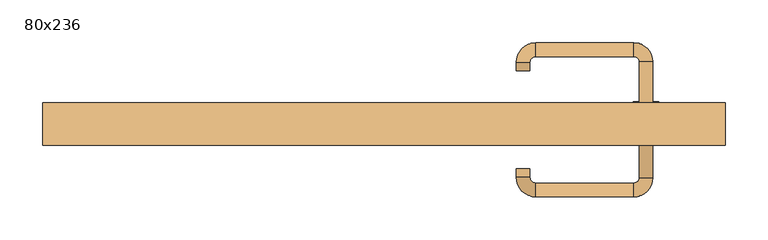
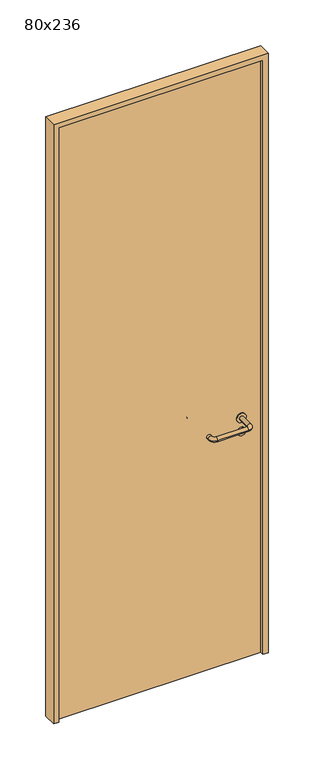
"""IFC4 building model written with IfcOpenShell, lengths in millimetres: door geometry, 80x236."""

from ifc_helpers import new_model, si_unit, point, frame, frame_2d, origin, origin_with_axes, place, context, project, spatial, polyline, circle_curve, ellipse_curve, trimmed, segment, composite_curve, outline, extrude, source, transform, mapped, element, save
from ifc_brep_helpers import plane_surface, cylinder_surface, revolved_surface, advanced_brep


def door_80x236_613559d2(model_context):
    return source(origin(), model_context, "Body", "SolidModel", [
        extrude(outline(composite_curve([segment(trimmed(circle_curve(frame_2d((897.3605726, 307.0)), 15.0), [point((897.3605726, 322.0))], [point((897.3605726, 292.0))], False, "CARTESIAN"), True, "CONTINUOUS"), segment(trimmed(circle_curve(frame_2d((897.3605726, 307.0)), 15.0), [point((897.3605726, 292.0))], [point((897.3605726, 322.0))], False, "CARTESIAN"), True, "CONTINUOUS")], self_intersect=False), holes=[composite_curve([segment(trimmed(circle_curve(frame_2d((892.5833211, 306.9398032)), 2.0), [point((892.5833211, 308.9398032))], [point((892.5833211, 304.9398032))], True, "CARTESIAN"), True, "CONTINUOUS"), segment(polyline([(892.5833211, 304.9398032), (902.5833211, 304.9398032)]), True, "CONTINUOUS"), segment(trimmed(circle_curve(frame_2d((902.5833211, 306.9398032)), 2.0), [point((902.5833211, 304.9398032))], [point((902.5833211, 308.9398032))], True, "CARTESIAN"), True, "CONTINUOUS"), segment(polyline([(902.5833211, 308.9398032), (892.5833211, 308.9398032)]), True, "CONTINUOUS")], self_intersect=False)]), frame((0.0, 8.65, 0.0), z_axis=(0.0, 1.0, 0.0), x_axis=(0.0, 0.0, 1.0)), (0.0, 0.0, 1.0), 6.35),
        extrude(outline(composite_curve([segment(trimmed(circle_curve(frame_2d((950.0, 307.0)), 17.526), [point((950.0, 324.526))], [point((950.0, 289.474))], False, "CARTESIAN"), True, "CONTINUOUS"), segment(trimmed(circle_curve(frame_2d((950.0, 307.0)), 17.526), [point((950.0, 289.474))], [point((950.0, 324.526))], False, "CARTESIAN"), True, "CONTINUOUS")], self_intersect=False)), frame((0.0, 11.825, 0.0), z_axis=(0.0, 1.0, 0.0), x_axis=(0.0, 0.0, 1.0)), (0.0, 0.0, 1.0), 3.175),
        advanced_brep(
        [(315.0, 15.0, 950.0), (299.0, 15.0, 950.0), (299.0, -38.0, 950.0), (315.0, -38.0, 950.0), (292.8578644, -44.1421356, 950.0), (292.8578644, -60.1421356, 950.0), (177.8578644, -44.1421356, 950.0), (177.8578644, -60.1421356, 950.0), (171.008622, -37.2928932, 950.0), (155.008622, -37.2928932, 950.0), (155.008622, -27.2928932, 950.0), (171.008622, -27.2928932, 950.0)],
        [
            (0, 1, circle_curve(frame((307.0, 15.0, 950.0), z_axis=(0.0, 1.0, 0.0), x_axis=(-1.0, 0.0, 0.0)), 8.0)),
            (1, 0, circle_curve(frame((307.0, 15.0, 950.0), z_axis=(0.0, 1.0, 0.0), x_axis=(-1.0, 0.0, 0.0)), 8.0)),
            (1, 2),
            (2, 3, circle_curve(frame((307.0, -38.0, 950.0), z_axis=(0.0, 1.0, 0.0), x_axis=(-1.0, 0.0, 0.0)), 8.0)),
            (3, 0),
            (3, 2, circle_curve(frame((307.0, -38.0, 950.0), z_axis=(0.0, 1.0, 0.0), x_axis=(-1.0, 0.0, 0.0)), 8.0)),
            (4, 5, circle_curve(frame((292.8578644, -52.1421356, 950.0), z_axis=(1.0, 0.0, 0.0), x_axis=(0.0, 1.0, 0.0)), 8.0)),
            (5, 3, circle_curve(frame((292.8578644, -38.0, 950.0), z_axis=(0.0, 0.0, 1.0), x_axis=(1.0, 0.0, 0.0)), 22.1421356)),
            (2, 4, circle_curve(frame((292.8578644, -38.0, 950.0), z_axis=(0.0, 0.0, -1.0), x_axis=(1.0, 0.0, 0.0)), 6.1421356)),
            (5, 4, circle_curve(frame((292.8578644, -52.1421356, 950.0), z_axis=(1.0, 0.0, 0.0), x_axis=(0.0, 1.0, 0.0)), 8.0)),
            (4, 6),
            (6, 7, circle_curve(frame((177.8578644, -52.1421356, 950.0), z_axis=(1.0, 0.0, 0.0), x_axis=(0.0, 1.0, 0.0)), 8.0)),
            (7, 5),
            (7, 6, circle_curve(frame((177.8578644, -52.1421356, 950.0), z_axis=(1.0, 0.0, 0.0), x_axis=(0.0, 1.0, 0.0)), 8.0)),
            (8, 9, circle_curve(frame((163.008622, -37.2928932, 950.0), z_axis=(0.0, -1.0, 0.0), x_axis=(1.0, 0.0, 0.0)), 8.0)),
            (9, 7, circle_curve(frame((177.8578644, -37.2928932, 950.0), z_axis=(0.0, 0.0, 1.0), x_axis=(0.0, -1.0, 0.0)), 22.8492424)),
            (6, 8, circle_curve(frame((177.8578644, -37.2928932, 950.0), z_axis=(0.0, 0.0, -1.0), x_axis=(0.0, -1.0, 0.0)), 6.8492424)),
            (9, 8, circle_curve(frame((163.008622, -37.2928932, 950.0), z_axis=(0.0, -1.0, 0.0), x_axis=(1.0, 0.0, 0.0)), 8.0)),
            (10, 11, circle_curve(frame((163.008622, -27.2928932, 950.0), z_axis=(0.0, 1.0, 0.0), x_axis=(1.0, 0.0, 0.0)), 8.0)),
            (11, 10, circle_curve(frame((163.008622, -27.2928932, 950.0), z_axis=(0.0, 1.0, 0.0), x_axis=(1.0, 0.0, 0.0)), 8.0)),
            (8, 11),
            (10, 9),
        ],
        [
            plane_surface(frame((307.0, 15.0, 0.0), z_axis=(0.0, 1.0, 0.0), x_axis=(0.0, 0.0, 1.0))),
            cylinder_surface(frame((307.0, 15.0, 950.0), z_axis=(0.0, 1.0, 0.0), x_axis=(-1.0, 0.0, 0.0)), 8.0),
            revolved_surface(trimmed(ellipse_curve(frame((307.0, -38.0, 950.0), z_axis=(0.0, -1.0, 0.0), x_axis=(-1.0, 0.0, 0.0)), 8.0, 8.0), [point((315.0, -38.0, 950.0))], [point((299.0, -38.0, 950.0))], True, "CARTESIAN"), (292.8578644, -38.0, 0.0), (0.0, 0.0, 1.0)),
            revolved_surface(trimmed(ellipse_curve(frame((307.0, -38.0, 950.0), z_axis=(0.0, -1.0, 0.0), x_axis=(-1.0, 0.0, 0.0)), 8.0, 8.0), [point((299.0, -38.0, 950.0))], [point((315.0, -38.0, 950.0))], True, "CARTESIAN"), (292.8578644, -38.0, 0.0), (0.0, 0.0, 1.0)),
            cylinder_surface(frame((292.8578644, -52.1421356, 950.0), z_axis=(1.0, 0.0, 0.0), x_axis=(0.0, 1.0, 0.0)), 8.0),
            revolved_surface(trimmed(ellipse_curve(frame((177.8578644, -52.1421356, 950.0), z_axis=(-1.0, 0.0, 0.0), x_axis=(0.0, 1.0, 0.0)), 8.0, 8.0), [point((177.8578644, -60.1421356, 950.0))], [point((177.8578644, -44.1421356, 950.0))], True, "CARTESIAN"), (177.8578644, -37.2928932, 0.0), (0.0, 0.0, 1.0)),
            revolved_surface(trimmed(ellipse_curve(frame((177.8578644, -52.1421356, 950.0), z_axis=(-1.0, 0.0, 0.0), x_axis=(0.0, 1.0, 0.0)), 8.0, 8.0), [point((177.8578644, -44.1421356, 950.0))], [point((177.8578644, -60.1421356, 950.0))], True, "CARTESIAN"), (177.8578644, -37.2928932, 0.0), (0.0, 0.0, 1.0)),
            plane_surface(frame((163.008622, -27.2928932, 0.0), z_axis=(0.0, 1.0, 0.0), x_axis=(0.0, 0.0, 1.0))),
            cylinder_surface(frame((163.008622, -37.2928932, 950.0), z_axis=(0.0, -1.0, 0.0), x_axis=(1.0, 0.0, 0.0)), 8.0),
        ],
        [
            (0, [[1, 2]]),
            (1, [[3, 4, 5, -2]]),
            (1, [[-5, 6, -3, -1]]),
            (2, [[7, 8, -4, 9]]),
            (3, [[10, -9, -6, -8]]),
            (4, [[11, 12, 13, -7]]),
            (4, [[-13, 14, -11, -10]]),
            (5, [[15, 16, -12, 17]]),
            (6, [[18, -17, -14, -16]]),
            (7, [[19, 20]]),
            (8, [[21, -19, 22, -15]]),
            (8, [[-22, -20, -21, -18]]),
        ],
    ),
        extrude(outline(composite_curve([segment(trimmed(circle_curve(frame_2d((0.0, -15.0)), 15.0), [point((0.0, -30.0))], [point((0.0, 0.0))], False, "CARTESIAN"), True, "CONTINUOUS"), segment(trimmed(circle_curve(frame_2d((0.0, -15.0)), 15.0), [point((0.0, 0.0))], [point((0.0, -30.0))], False, "CARTESIAN"), True, "CONTINUOUS")], self_intersect=False), holes=[composite_curve([segment(trimmed(circle_curve(frame_2d((4.7772515, -14.9398032)), 2.0), [point((4.7772515, -16.9398032))], [point((4.7772515, -12.9398032))], True, "CARTESIAN"), True, "CONTINUOUS"), segment(polyline([(4.7772515, -12.9398032), (-5.2227485, -12.9398032)]), True, "CONTINUOUS"), segment(trimmed(circle_curve(frame_2d((-5.2227485, -14.9398032)), 2.0), [point((-5.2227485, -12.9398032))], [point((-5.2227485, -16.9398032))], True, "CARTESIAN"), True, "CONTINUOUS"), segment(polyline([(-5.2227485, -16.9398032), (4.7772515, -16.9398032)]), True, "CONTINUOUS")], self_intersect=False)]), frame((292.0, 45.0, 897.3605726), z_axis=(1.8870575173328306e-12, 1.0, 0.0), x_axis=(0.0, 0.0, -1.0)), (0.0, 0.0, 1.0), 6.35),
        extrude(outline(composite_curve([segment(trimmed(circle_curve(frame_2d((0.0, -17.526)), 17.526), [point((0.0, -35.052))], [point((0.0, 0.0))], False, "CARTESIAN"), True, "CONTINUOUS"), segment(trimmed(circle_curve(frame_2d((0.0, -17.526)), 17.526), [point((0.0, 0.0))], [point((0.0, -35.052))], False, "CARTESIAN"), True, "CONTINUOUS")], self_intersect=False)), frame((289.474, 45.0, 950.0), z_axis=(1.8870575173328306e-12, 1.0, 0.0), x_axis=(0.0, 0.0, -1.0)), (0.0, 0.0, 1.0), 3.175),
        advanced_brep(
        [(315.0, 45.0, 950.0), (299.0, 45.0, 950.0), (315.0, 98.0, 950.0), (299.0, 98.0, 950.0), (292.8578644, 104.1421356, 950.0), (292.8578644, 120.1421356, 950.0), (177.8578644, 120.1421356, 950.0), (177.8578644, 104.1421356, 950.0), (171.008622, 97.2928932, 950.0), (155.008622, 97.2928932, 950.0), (155.008622, 87.2928932, 950.0), (171.008622, 87.2928932, 950.0)],
        [
            (0, 1, circle_curve(frame((307.0, 45.0, 950.0), z_axis=(-1.888672253512351e-12, -1.0, 0.0), x_axis=(-1.0, 1.888672253512351e-12, 0.0)), 8.0)),
            (1, 0, circle_curve(frame((307.0, 45.0, 950.0), z_axis=(-1.888672253512351e-12, -1.0, 0.0), x_axis=(-1.0, 1.888672253512351e-12, 0.0)), 8.0)),
            (0, 2),
            (2, 3, circle_curve(frame((307.0, 98.0, 950.0), z_axis=(-1.888672253512351e-12, -1.0, 0.0), x_axis=(-1.0, 1.888672253512351e-12, 0.0)), 8.0)),
            (3, 1),
            (3, 2, circle_curve(frame((307.0, 98.0, 950.0), z_axis=(-1.888672253512351e-12, -1.0, 0.0), x_axis=(-1.0, 1.888672253512351e-12, 0.0)), 8.0)),
            (4, 3, circle_curve(frame((292.8578644, 98.0, 950.0), z_axis=(0.0, 0.0, -1.0), x_axis=(1.0, -1.880717803715015e-12, 0.0)), 6.1421356)),
            (2, 5, circle_curve(frame((292.8578644, 98.0, 950.0), z_axis=(0.0, 0.0, 1.0), x_axis=(1.0, -1.880717803715015e-12, 0.0)), 22.1421356)),
            (5, 4, circle_curve(frame((292.8578644, 112.1421356, 950.0), z_axis=(1.0, -1.913702061528922e-12, 0.0), x_axis=(-1.913702061528922e-12, -1.0, 0.0)), 8.0)),
            (4, 5, circle_curve(frame((292.8578644, 112.1421356, 950.0), z_axis=(1.0, -1.913702061528922e-12, 0.0), x_axis=(-1.913702061528922e-12, -1.0, 0.0)), 8.0)),
            (5, 6),
            (6, 7, circle_curve(frame((177.8578644, 112.1421356, 950.0), z_axis=(1.0, -1.913719828541269e-12, 0.0), x_axis=(-1.913719828541269e-12, -1.0, 0.0)), 8.0)),
            (7, 4),
            (7, 6, circle_curve(frame((177.8578644, 112.1421356, 950.0), z_axis=(1.0, -1.913719828541269e-12, 0.0), x_axis=(-1.913719828541269e-12, -1.0, 0.0)), 8.0)),
            (8, 7, circle_curve(frame((177.8578644, 97.2928932, 950.0), z_axis=(0.0, 0.0, -1.0), x_axis=(1.9120873253494017e-12, 1.0, 0.0)), 6.8492424)),
            (6, 9, circle_curve(frame((177.8578644, 97.2928932, 950.0), z_axis=(0.0, 0.0, 1.0), x_axis=(1.9120873253494017e-12, 1.0, 0.0)), 22.8492424)),
            (9, 8, circle_curve(frame((163.008622, 97.2928932, 950.0), z_axis=(1.890448610351751e-12, 1.0, 0.0), x_axis=(1.0, -1.890448610351751e-12, 0.0)), 8.0)),
            (8, 9, circle_curve(frame((163.008622, 97.2928932, 950.0), z_axis=(1.8888942981172756e-12, 1.0, 0.0), x_axis=(1.0, -1.8888942981172756e-12, 0.0)), 8.0)),
            (10, 11, circle_curve(frame((163.008622, 87.2928932, 950.0), z_axis=(-1.8903642334018795e-12, -1.0, 0.0), x_axis=(1.0, -1.8903642334018795e-12, 0.0)), 8.0)),
            (11, 10, circle_curve(frame((163.008622, 87.2928932, 950.0), z_axis=(-1.8903642334018795e-12, -1.0, 0.0), x_axis=(1.0, -1.8903642334018795e-12, 0.0)), 8.0)),
            (9, 10),
            (11, 8),
        ],
        [
            plane_surface(frame((307.0, 45.0, 0.0), z_axis=(-1.8870575173328306e-12, -1.0, 0.0), x_axis=(0.0, 0.0, 1.0))),
            cylinder_surface(frame((307.0, 45.0, 950.0), z_axis=(-1.888672253512351e-12, -1.0, 0.0), x_axis=(-1.0, 1.888672253512351e-12, 0.0)), 8.0),
            revolved_surface(trimmed(ellipse_curve(frame((307.0, 98.0, 950.0), z_axis=(-1.8823325398945356e-12, -1.0, 0.0), x_axis=(-1.0, 1.8823325398945356e-12, 0.0)), 8.0, 8.0), [point((315.0, 98.0, 950.0))], [point((299.0, 98.0, 950.0))], True, "CARTESIAN"), (292.8578644, 98.0, 0.0), (0.0, 0.0, 1.0)),
            revolved_surface(trimmed(ellipse_curve(frame((307.0, 98.0, 950.0), z_axis=(-1.8823325398945356e-12, -1.0, 0.0), x_axis=(-1.0, 1.8823325398945356e-12, 0.0)), 8.0, 8.0), [point((299.0, 98.0, 950.0))], [point((315.0, 98.0, 950.0))], True, "CARTESIAN"), (292.8578644, 98.0, 0.0), (0.0, 0.0, 1.0)),
            cylinder_surface(frame((292.8578644, 112.1421356, 950.0), z_axis=(1.0, -1.913719828541269e-12, 0.0), x_axis=(-1.913719828541269e-12, -1.0, 0.0)), 8.0),
            revolved_surface(trimmed(ellipse_curve(frame((177.8578644, 112.1421356, 950.0), z_axis=(1.0, -1.913702061528922e-12, 0.0), x_axis=(-1.913702061528922e-12, -1.0, 0.0)), 8.0, 8.0), [point((177.8578644, 120.1421356, 950.0))], [point((177.8578644, 104.1421356, 950.0))], True, "CARTESIAN"), (177.8578644, 97.2928932, 0.0), (0.0, 0.0, 1.0)),
            revolved_surface(trimmed(ellipse_curve(frame((177.8578644, 112.1421356, 950.0), z_axis=(1.0, -1.913702061528922e-12, 0.0), x_axis=(-1.913702061528922e-12, -1.0, 0.0)), 8.0, 8.0), [point((177.8578644, 104.1421356, 950.0))], [point((177.8578644, 120.1421356, 950.0))], True, "CARTESIAN"), (177.8578644, 97.2928932, 0.0), (0.0, 0.0, 1.0)),
            plane_surface(frame((163.008622, 87.2928932, 0.0), z_axis=(-1.8887494972223595e-12, -1.0, 0.0), x_axis=(0.0, 0.0, 1.0))),
            cylinder_surface(frame((163.008622, 97.2928932, 950.0), z_axis=(1.8903642334018795e-12, 1.0, 0.0), x_axis=(1.0, -1.8903642334018795e-12, 0.0)), 8.0),
        ],
        [
            (0, [[1, 2]]),
            (1, [[-1, 3, 4, 5]]),
            (1, [[-2, -5, 6, -3]]),
            (2, [[7, -4, 8, 9]]),
            (3, [[-8, -6, -7, 10]]),
            (4, [[-9, 11, 12, 13]]),
            (4, [[-10, -13, 14, -11]]),
            (5, [[15, -12, 16, 17]]),
            (6, [[-16, -14, -15, 18]]),
            (7, [[19, 20]]),
            (8, [[-17, 21, -20, 22]]),
            (8, [[-18, -22, -19, -21]]),
        ],
    ),
        extrude(outline(polyline([(2340.0, 380.0), (0.0, 380.0), (0.0, 400.0), (2360.0, 400.0), (2360.0, -400.0), (0.0, -400.0), (0.0, -380.0), (2340.0, -380.0), (2340.0, 380.0)])), frame((0.0, 0.0, 0.0), z_axis=(0.0, 1.0, 0.0), x_axis=(0.0, 0.0, 1.0)), (0.0, 0.0, 1.0), 50.0),
        extrude(outline(polyline([(-380.0, 45.0), (380.0, 45.0), (380.0, 15.0), (-380.0, 15.0), (-380.0, 45.0)])), origin_with_axes(), (0.0, 0.0, 1.0), 2340.0),
    ])


if __name__ == "__main__":
    model = new_model("IFC4")
    model_context = context("Model", 3, world=origin())
    ifc_project = project(units=[si_unit("LENGTHUNIT", "METRE", prefix="MILLI")], contexts=[model_context])
    site = spatial("IfcSite", under=ifc_project)
    building = spatial("IfcBuilding", under=site)
    placement = place(None, origin())
    door_80x236_shape = door_80x236_613559d2(model_context)
    element("IfcDoor", 1, ObjectType="80x236", at=placement, inside=building, context=model_context, shape_type="MappedRepresentation", body=[
        mapped(door_80x236_shape, transform((0.0, 0.0, 0.0), x_axis=(1.0, 0.0, 0.0), y_axis=(0.0, 1.0, 0.0), z_axis=(0.0, 0.0, 1.0))),
    ])
    save(model, "model.ifc")
